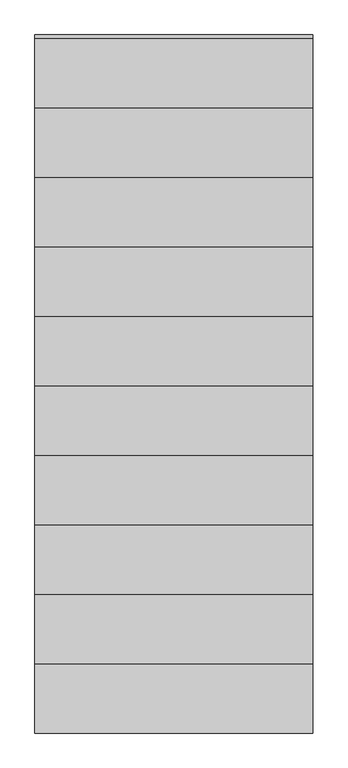
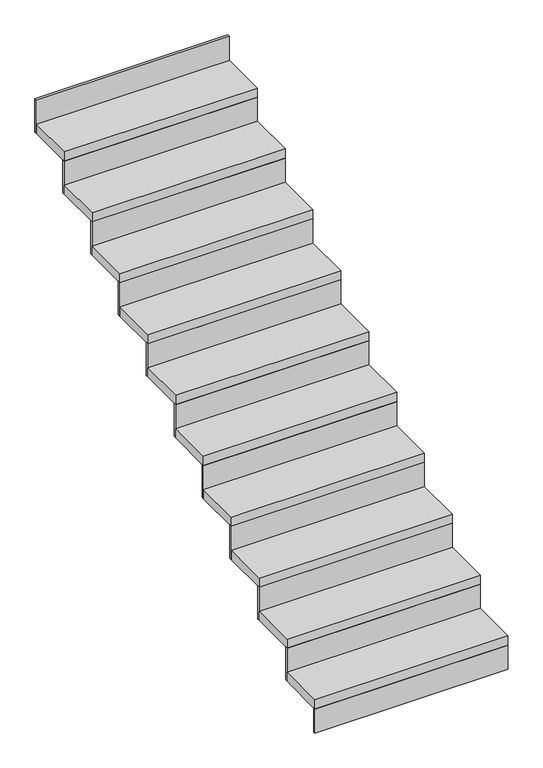
"""IFC4 building model written with IfcOpenShell, lengths in millimetres: stair flight geometry."""

from ifc_helpers import new_model, si_unit, frame, origin, origin_with_axes, place, context, project, spatial, polyline, outline, extrude, source, transform, mapped, element, save


def stair_flight_e34b1431(model_context):
    return source(origin(), model_context, "Body", "SweptSolid", [
        extrude(outline(polyline([(-4120.4675457, -20810.2019092), (-4120.4675457, -20822.7019092), (-5120.4675457, -20822.7019092), (-5120.4675457, -20810.2019092), (-4120.4675457, -20810.2019092)])), origin_with_axes(), (0.0, 0.0, 1.0), 131.8181818),
        extrude(outline(polyline([(-5120.4675457, -20572.7019092), (-4120.4675457, -20572.7019092), (-4120.4675457, -20822.7019092), (-5120.4675457, -20822.7019092), (-5120.4675457, -20572.7019092)])), frame((0.0, 0.0, 131.8181818), z_axis=(0.0, 0.0, 1.0), x_axis=(1.0, 0.0, 0.0)), (0.0, 0.0, 1.0), 50.0),
        extrude(outline(polyline([(-4120.4675457, -20560.2019092), (-4120.4675457, -20572.7019092), (-5120.4675457, -20572.7019092), (-5120.4675457, -20560.2019092), (-4120.4675457, -20560.2019092)])), frame((0.0, 0.0, 131.8181818), z_axis=(0.0, 0.0, 1.0), x_axis=(1.0, 0.0, 0.0)), (0.0, 0.0, 1.0), 181.8181818),
        extrude(outline(polyline([(-5120.4675457, -20322.7019092), (-4120.4675457, -20322.7019092), (-4120.4675457, -20572.7019092), (-5120.4675457, -20572.7019092), (-5120.4675457, -20322.7019092)])), frame((0.0, 0.0, 313.6363636), z_axis=(0.0, 0.0, 1.0), x_axis=(1.0, 0.0, 0.0)), (0.0, 0.0, 1.0), 50.0),
        extrude(outline(polyline([(-4120.4675457, -20310.2019092), (-4120.4675457, -20322.7019092), (-5120.4675457, -20322.7019092), (-5120.4675457, -20310.2019092), (-4120.4675457, -20310.2019092)])), frame((0.0, 0.0, 313.6363636), z_axis=(0.0, 0.0, 1.0), x_axis=(1.0, 0.0, 0.0)), (0.0, 0.0, 1.0), 181.8181818),
        extrude(outline(polyline([(-5120.4675457, -20072.7019092), (-4120.4675457, -20072.7019092), (-4120.4675457, -20322.7019092), (-5120.4675457, -20322.7019092), (-5120.4675457, -20072.7019092)])), frame((0.0, 0.0, 495.4545455), z_axis=(0.0, 0.0, 1.0), x_axis=(1.0, 0.0, 0.0)), (0.0, 0.0, 1.0), 50.0),
        extrude(outline(polyline([(-4120.4675457, -20060.2019092), (-4120.4675457, -20072.7019092), (-5120.4675457, -20072.7019092), (-5120.4675457, -20060.2019092), (-4120.4675457, -20060.2019092)])), frame((0.0, 0.0, 495.4545455), z_axis=(0.0, 0.0, 1.0), x_axis=(1.0, 0.0, 0.0)), (0.0, 0.0, 1.0), 181.8181818),
        extrude(outline(polyline([(-5120.4675457, -19822.7019092), (-4120.4675457, -19822.7019092), (-4120.4675457, -20072.7019092), (-5120.4675457, -20072.7019092), (-5120.4675457, -19822.7019092)])), frame((0.0, 0.0, 677.2727273), z_axis=(0.0, 0.0, 1.0), x_axis=(1.0, 0.0, 0.0)), (0.0, 0.0, 1.0), 50.0),
        extrude(outline(polyline([(-4120.4675457, -19810.2019092), (-4120.4675457, -19822.7019092), (-5120.4675457, -19822.7019092), (-5120.4675457, -19810.2019092), (-4120.4675457, -19810.2019092)])), frame((0.0, 0.0, 677.2727273), z_axis=(0.0, 0.0, 1.0), x_axis=(1.0, 0.0, 0.0)), (0.0, 0.0, 1.0), 181.8181818),
        extrude(outline(polyline([(-5120.4675457, -19572.7019092), (-4120.4675457, -19572.7019092), (-4120.4675457, -19822.7019092), (-5120.4675457, -19822.7019092), (-5120.4675457, -19572.7019092)])), frame((0.0, 0.0, 859.0909091), z_axis=(0.0, 0.0, 1.0), x_axis=(1.0, 0.0, 0.0)), (0.0, 0.0, 1.0), 50.0),
        extrude(outline(polyline([(-4120.4675457, -19560.2019092), (-4120.4675457, -19572.7019092), (-5120.4675457, -19572.7019092), (-5120.4675457, -19560.2019092), (-4120.4675457, -19560.2019092)])), frame((0.0, 0.0, 859.0909091), z_axis=(0.0, 0.0, 1.0), x_axis=(1.0, 0.0, 0.0)), (0.0, 0.0, 1.0), 181.8181818),
        extrude(outline(polyline([(-5120.4675457, -19322.7019092), (-4120.4675457, -19322.7019092), (-4120.4675457, -19572.7019092), (-5120.4675457, -19572.7019092), (-5120.4675457, -19322.7019092)])), frame((0.0, 0.0, 1040.9090909), z_axis=(0.0, 0.0, 1.0), x_axis=(1.0, 0.0, 0.0)), (0.0, 0.0, 1.0), 50.0),
        extrude(outline(polyline([(-4120.4675457, -19310.2019092), (-4120.4675457, -19322.7019092), (-5120.4675457, -19322.7019092), (-5120.4675457, -19310.2019092), (-4120.4675457, -19310.2019092)])), frame((0.0, 0.0, 1040.9090909), z_axis=(0.0, 0.0, 1.0), x_axis=(1.0, 0.0, 0.0)), (0.0, 0.0, 1.0), 181.8181818),
        extrude(outline(polyline([(-5120.4675457, -19072.7019092), (-4120.4675457, -19072.7019092), (-4120.4675457, -19322.7019092), (-5120.4675457, -19322.7019092), (-5120.4675457, -19072.7019092)])), frame((0.0, 0.0, 1222.7272727), z_axis=(0.0, 0.0, 1.0), x_axis=(1.0, 0.0, 0.0)), (0.0, 0.0, 1.0), 50.0),
        extrude(outline(polyline([(-4120.4675457, -19060.2019092), (-4120.4675457, -19072.7019092), (-5120.4675457, -19072.7019092), (-5120.4675457, -19060.2019092), (-4120.4675457, -19060.2019092)])), frame((0.0, 0.0, 1222.7272727), z_axis=(0.0, 0.0, 1.0), x_axis=(1.0, 0.0, 0.0)), (0.0, 0.0, 1.0), 181.8181818),
        extrude(outline(polyline([(-5120.4675457, -18822.7019092), (-4120.4675457, -18822.7019092), (-4120.4675457, -19072.7019092), (-5120.4675457, -19072.7019092), (-5120.4675457, -18822.7019092)])), frame((0.0, 0.0, 1404.5454545), z_axis=(0.0, 0.0, 1.0), x_axis=(1.0, 0.0, 0.0)), (0.0, 0.0, 1.0), 50.0),
        extrude(outline(polyline([(-4120.4675457, -18810.2019092), (-4120.4675457, -18822.7019092), (-5120.4675457, -18822.7019092), (-5120.4675457, -18810.2019092), (-4120.4675457, -18810.2019092)])), frame((0.0, 0.0, 1404.5454545), z_axis=(0.0, 0.0, 1.0), x_axis=(1.0, 0.0, 0.0)), (0.0, 0.0, 1.0), 181.8181818),
        extrude(outline(polyline([(-5120.4675457, -18572.7019092), (-4120.4675457, -18572.7019092), (-4120.4675457, -18822.7019092), (-5120.4675457, -18822.7019092), (-5120.4675457, -18572.7019092)])), frame((0.0, 0.0, 1586.3636364), z_axis=(0.0, 0.0, 1.0), x_axis=(1.0, 0.0, 0.0)), (0.0, 0.0, 1.0), 50.0),
        extrude(outline(polyline([(-4120.4675457, -18560.2019092), (-4120.4675457, -18572.7019092), (-5120.4675457, -18572.7019092), (-5120.4675457, -18560.2019092), (-4120.4675457, -18560.2019092)])), frame((0.0, 0.0, 1586.3636364), z_axis=(0.0, 0.0, 1.0), x_axis=(1.0, 0.0, 0.0)), (0.0, 0.0, 1.0), 181.8181818),
        extrude(outline(polyline([(-4120.4675457, -18310.2019092), (-4120.4675457, -18322.7019092), (-5120.4675457, -18322.7019092), (-5120.4675457, -18310.2019092), (-4120.4675457, -18310.2019092)])), frame((0.0, 0.0, 1768.1818182), z_axis=(0.0, 0.0, 1.0), x_axis=(1.0, 0.0, 0.0)), (0.0, 0.0, 1.0), 181.8181818),
        extrude(outline(polyline([(-5120.4675457, -18322.7019092), (-4120.4675457, -18322.7019092), (-4120.4675457, -18572.7019092), (-5120.4675457, -18572.7019092), (-5120.4675457, -18322.7019092)])), frame((0.0, 0.0, 1768.1818182), z_axis=(0.0, 0.0, 1.0), x_axis=(1.0, 0.0, 0.0)), (0.0, 0.0, 1.0), 50.0),
    ])


if __name__ == "__main__":
    model = new_model("IFC4")
    model_context = context("Model", 3, world=origin())
    ifc_project = project(units=[si_unit("LENGTHUNIT", "METRE", prefix="MILLI")], contexts=[model_context])
    site = spatial("IfcSite", under=ifc_project)
    building = spatial("IfcBuilding", under=site)
    placement = place(None, origin())
    stair_flight_shape = stair_flight_e34b1431(model_context)
    element("IfcStairFlight", 1, at=placement, inside=building, context=model_context, shape_type="MappedRepresentation", body=[
        mapped(stair_flight_shape, transform((0.0, 0.0, 0.0), x_axis=(1.0, 0.0, 0.0), y_axis=(0.0, 1.0, 0.0), z_axis=(0.0, 0.0, 1.0))),
    ])
    save(model, "model.ifc")
